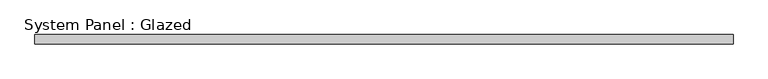
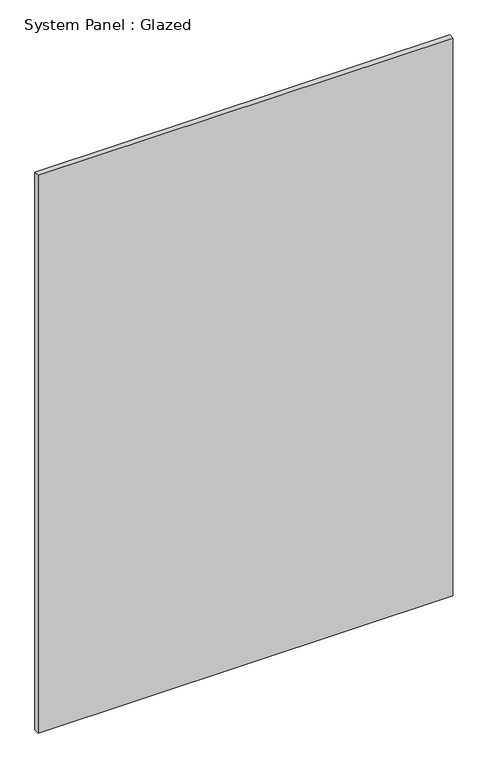
"""IFC4 building model written with IfcOpenShell, lengths in millimetres: plate geometry, System Panel : Glazed."""

from ifc_helpers import new_model, si_unit, origin, origin_with_axes, place, context, project, spatial, polyline, outline, extrude, source, transform, mapped, element, save


def system_panel_glazed_eef7dcdb(model_context):
    return source(origin(), model_context, "Body", "SweptSolid", [
        extrude(outline(polyline([(945.941308, 24.5), (-945.941308, 24.5), (-945.941308, 49.5), (945.941308, 49.5), (945.941308, 24.5)])), origin_with_axes(), (0.0, 0.0, 1.0), 2690.0),
    ])


if __name__ == "__main__":
    model = new_model("IFC4")
    model_context = context("Model", 3, world=origin())
    ifc_project = project(units=[si_unit("LENGTHUNIT", "METRE", prefix="MILLI")], contexts=[model_context])
    site = spatial("IfcSite", under=ifc_project)
    building = spatial("IfcBuilding", under=site)
    placement = place(None, origin())
    system_panel_glazed_shape = system_panel_glazed_eef7dcdb(model_context)
    element("IfcPlate", 1, ObjectType="System Panel : Glazed", at=placement, inside=building, context=model_context, shape_type="MappedRepresentation", body=[
        mapped(system_panel_glazed_shape, transform((0.0, 0.0, 0.0), x_axis=(1.0, 0.0, 0.0), y_axis=(0.0, 1.0, 0.0), z_axis=(0.0, 0.0, 1.0))),
    ])
    save(model, "model.ifc")
